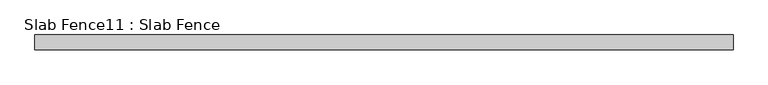
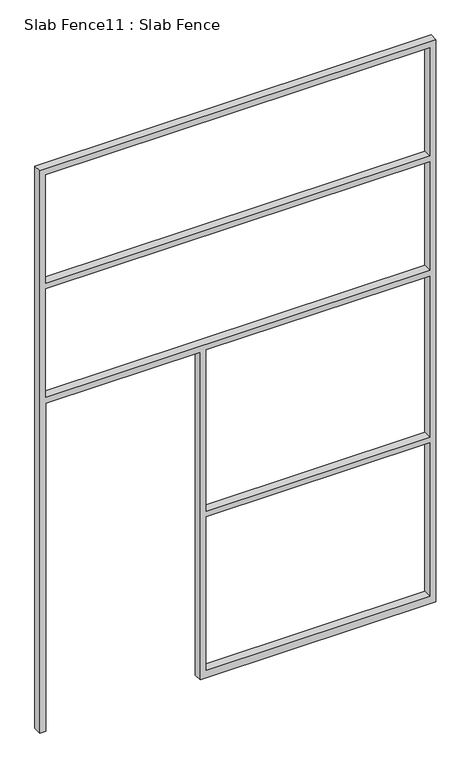
"""IFC4 building model written with IfcOpenShell, lengths in millimetres: proxy geometry, Slab Fence11 : Slab Fence."""

from ifc_helpers import new_model, si_unit, frame, origin, place, context, project, spatial, polyline, outline, extrude, source, transform, mapped, element, save


def slab_fence11_slab_fence_73752e62(model_context):
    return source(origin(), model_context, "Body", "SweptSolid", [
        extrude(outline(polyline([(3657.6, -13515.9848205), (0.0, -13515.9848205), (0.0, -13477.8848205), (2133.6, -13477.8848205), (2133.6, -12528.5598205), (0.0, -12528.5598205), (0.0, -12490.4598205), (0.0, -11077.5848205), (3657.6, -11077.5848205), (3657.6, -13515.9848205)]), holes=[polyline([(2876.55, -13477.8848205), (2876.55, -11115.6848205), (2171.7, -11115.6848205), (2171.7, -13477.8848205), (2876.55, -13477.8848205)]), polyline([(3619.5, -11115.6848205), (2914.65, -11115.6848205), (2914.65, -13477.8848205), (3619.5, -13477.8848205), (3619.5, -11115.6848205)]), polyline([(1085.85, -12490.4598205), (2133.6, -12490.4598205), (2133.6, -11115.6848205), (1085.85, -11115.6848205), (1085.85, -12490.4598205)]), polyline([(1047.75, -11115.6848205), (50.8, -11115.6848205), (50.8, -12490.4598205), (1047.75, -12490.4598205), (1047.75, -11115.6848205)])]), frame((0.0, -12138.982317, 0.0), z_axis=(0.0, 1.0, 0.0), x_axis=(0.0, 0.0, 1.0)), (0.0, 0.0, 1.0), 52.001598),
    ])


if __name__ == "__main__":
    model = new_model("IFC4")
    model_context = context("Model", 3, world=origin())
    ifc_project = project(units=[si_unit("LENGTHUNIT", "METRE", prefix="MILLI")], contexts=[model_context])
    site = spatial("IfcSite", under=ifc_project)
    building = spatial("IfcBuilding", under=site)
    placement = place(None, origin())
    slab_fence11_slab_fence_shape = slab_fence11_slab_fence_73752e62(model_context)
    element("IfcBuildingElementProxy", 1, Name="Slab Fence11 : Slab Fence", ObjectType="Slab Fence11 : Slab Fence", at=placement, inside=building, context=model_context, shape_type="MappedRepresentation", body=[
        mapped(slab_fence11_slab_fence_shape, transform((0.0, 0.0, 0.0), x_axis=(1.0, 0.0, 0.0), y_axis=(0.0, 1.0, 0.0), z_axis=(0.0, 0.0, 1.0))),
    ])
    save(model, "model.ifc")
